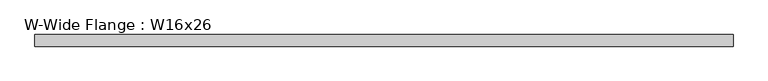
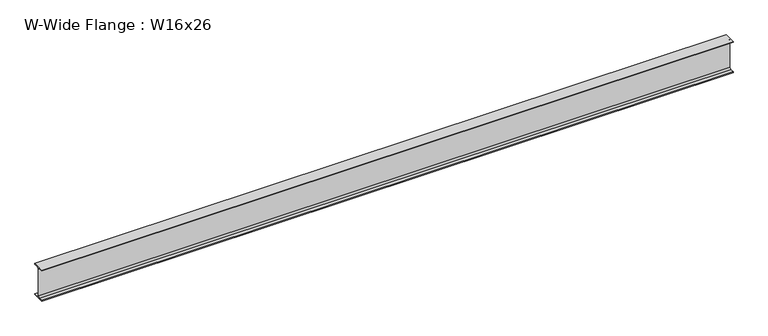
"""IFC4 building model written with IfcOpenShell, lengths in millimetres: beam geometry, W-Wide Flange : W16x26."""

from ifc_helpers import new_model, si_unit, point, frame, frame_2d, origin, place, context, project, spatial, polyline, circle_curve, trimmed, segment, composite_curve, outline, extrude, source, transform, mapped, element, save


def w_wide_flange_w16x26_54c61fc6(model_context):
    return source(origin(), model_context, "Body", "SweptSolid", [
        extrude(outline(composite_curve([segment(polyline([(69.85, -190.627), (69.85, -199.39), (-69.85, -199.39), (-69.85, -190.627), (-21.3995, -190.627)]), True, "CONTINUOUS"), segment(trimmed(circle_curve(frame_2d((-21.3995, -172.4025)), 18.2245), [point((-21.3995, -190.627))], [point((-3.175, -172.4025))], True, "CARTESIAN"), True, "CONTINUOUS"), segment(polyline([(-3.175, -172.4025), (-3.175, 172.4025)]), True, "CONTINUOUS"), segment(trimmed(circle_curve(frame_2d((-21.3995, 172.4025)), 18.2245), [point((-3.175, 172.4025))], [point((-21.3995, 190.627))], True, "CARTESIAN"), True, "CONTINUOUS"), segment(polyline([(-21.3995, 190.627), (-69.85, 190.627), (-69.85, 199.39), (69.85, 199.39), (69.85, 190.627), (21.3995, 190.627)]), True, "CONTINUOUS"), segment(trimmed(circle_curve(frame_2d((21.3995, 172.4025)), 18.2245), [point((21.3995, 190.627))], [point((3.175, 172.4025))], True, "CARTESIAN"), True, "CONTINUOUS"), segment(polyline([(3.175, 172.4025), (3.175, -172.4025)]), True, "CONTINUOUS"), segment(trimmed(circle_curve(frame_2d((21.3995, -172.4025)), 18.2245), [point((3.175, -172.4025))], [point((21.3995, -190.627))], True, "CARTESIAN"), True, "CONTINUOUS"), segment(polyline([(21.3995, -190.627), (69.85, -190.627)]), True, "CONTINUOUS")], self_intersect=False)), frame((-4204.4935141, 0.0, 0.0), z_axis=(1.0, 0.0, 0.0), x_axis=(0.0, 1.0, 0.0)), (0.0, 0.0, 1.0), 8400.6536146),
    ])


if __name__ == "__main__":
    model = new_model("IFC4")
    model_context = context("Model", 3, world=origin())
    ifc_project = project(units=[si_unit("LENGTHUNIT", "METRE", prefix="MILLI")], contexts=[model_context])
    site = spatial("IfcSite", under=ifc_project)
    building = spatial("IfcBuilding", under=site)
    placement = place(None, origin())
    w_wide_flange_w16x26_shape = w_wide_flange_w16x26_54c61fc6(model_context)
    element("IfcBeam", 1, ObjectType="W-Wide Flange : W16x26", at=placement, inside=building, context=model_context, shape_type="MappedRepresentation", body=[
        mapped(w_wide_flange_w16x26_shape, transform((0.0, 0.0, 0.0), x_axis=(1.0, 0.0, 0.0), y_axis=(0.0, 1.0, 0.0), z_axis=(0.0, 0.0, 1.0))),
    ])
    save(model, "model.ifc")
